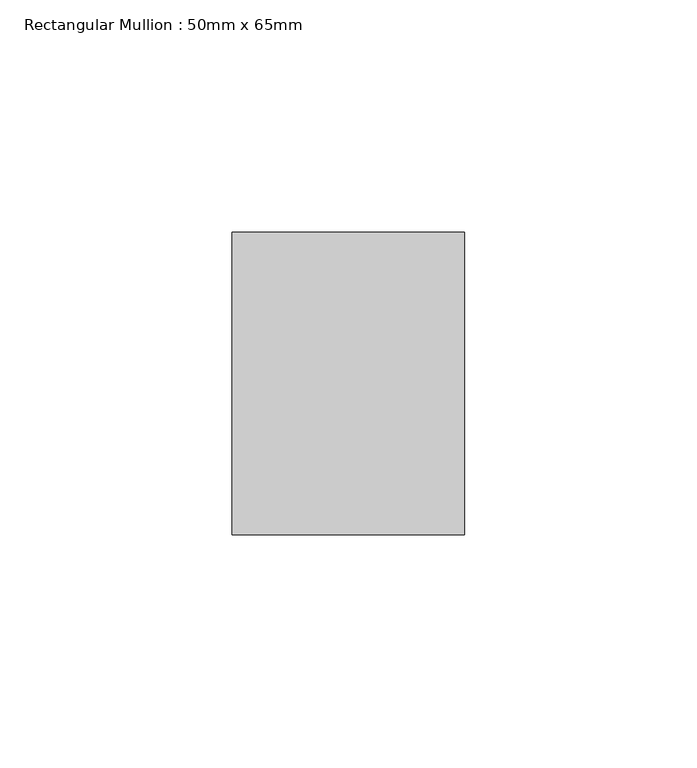
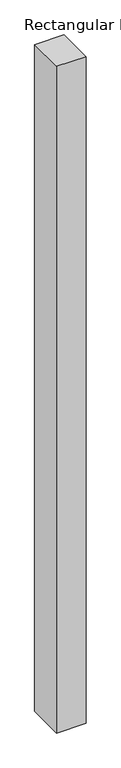
"""IFC4 building model written with IfcOpenShell, lengths in millimetres: member geometry, Rectangular Mullion : 50mm x 65mm."""

from ifc_helpers import new_model, si_unit, frame, origin, place, context, project, spatial, polyline, outline, extrude, source, transform, mapped, element, save


def rectangular_mullion_50mm_x_65mm_688eeab4(model_context):
    return source(origin(), model_context, "Body", "SweptSolid", [
        extrude(outline(polyline([(25.0, 32.5), (25.0, -32.5), (-25.0, -32.5), (-25.0, 32.5), (25.0, 32.5)])), frame((0.0, 0.0, -1205.1794121), z_axis=(0.0, 0.0, 1.0), x_axis=(1.0, 0.0, 0.0)), (0.0, 0.0, 1.0), 1205.1794121),
    ])


if __name__ == "__main__":
    model = new_model("IFC4")
    model_context = context("Model", 3, world=origin())
    ifc_project = project(units=[si_unit("LENGTHUNIT", "METRE", prefix="MILLI")], contexts=[model_context])
    site = spatial("IfcSite", under=ifc_project)
    building = spatial("IfcBuilding", under=site)
    placement = place(None, origin())
    rectangular_mullion_50mm_x_65mm_shape = rectangular_mullion_50mm_x_65mm_688eeab4(model_context)
    element("IfcMember", 1, ObjectType="Rectangular Mullion : 50mm x 65mm", at=placement, inside=building, context=model_context, shape_type="MappedRepresentation", body=[
        mapped(rectangular_mullion_50mm_x_65mm_shape, transform((0.0, 0.0, 0.0), x_axis=(1.0, 0.0, 0.0), y_axis=(0.0, 1.0, 0.0), z_axis=(0.0, 0.0, 1.0))),
    ])
    save(model, "model.ifc")
